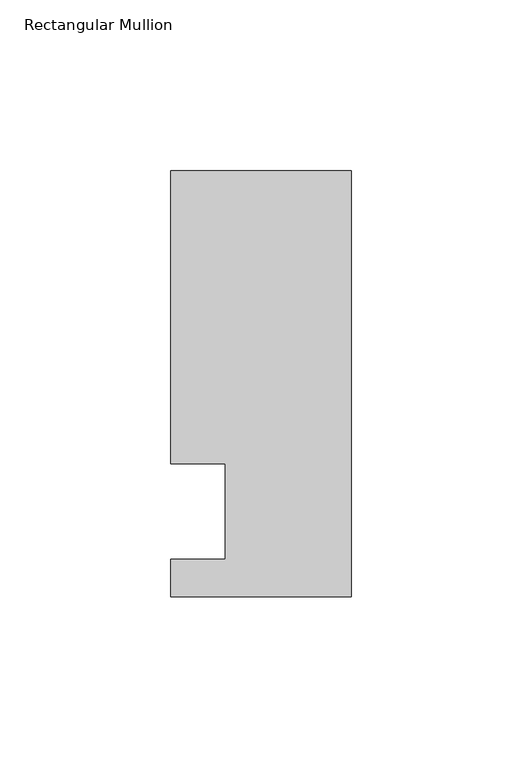
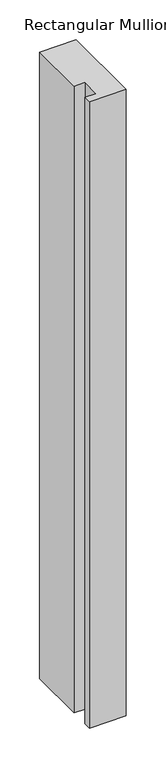
"""IFC4 building model written with IfcOpenShell, lengths in millimetres: member geometry, Rectangular Mullion."""

from ifc_helpers import new_model, si_unit, frame, origin, place, context, project, spatial, polyline, outline, extrude, source, transform, mapped, element, save


def rectangular_mullion_5d6fa385(model_context):
    return source(origin(), model_context, "Body", "SweptSolid", [
        extrude(outline(polyline([(0.0, -25.0), (-53.0, -25.0), (-53.0, -14.0), (-37.0, -14.0), (-37.0, 13.9998907), (-53.0, 13.9998907), (-53.0, 100.0), (0.0, 100.0), (0.0, -25.0)])), frame((0.0, 0.0, -958.9865328), z_axis=(0.0, 0.0, 1.0), x_axis=(1.0, 0.0, 0.0)), (0.0, 0.0, 1.0), 958.9865328),
    ])


if __name__ == "__main__":
    model = new_model("IFC4")
    model_context = context("Model", 3, world=origin())
    ifc_project = project(units=[si_unit("LENGTHUNIT", "METRE", prefix="MILLI")], contexts=[model_context])
    site = spatial("IfcSite", under=ifc_project)
    building = spatial("IfcBuilding", under=site)
    placement = place(None, origin())
    rectangular_mullion_shape = rectangular_mullion_5d6fa385(model_context)
    element("IfcMember", 1, ObjectType="Rectangular Mullion", at=placement, inside=building, context=model_context, shape_type="MappedRepresentation", body=[
        mapped(rectangular_mullion_shape, transform((0.0, 0.0, 0.0), x_axis=(1.0, 0.0, 0.0), y_axis=(0.0, 1.0, 0.0), z_axis=(0.0, 0.0, 1.0))),
    ])
    save(model, "model.ifc")
